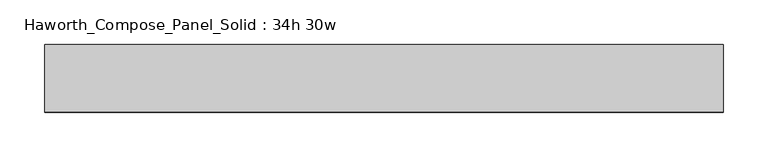
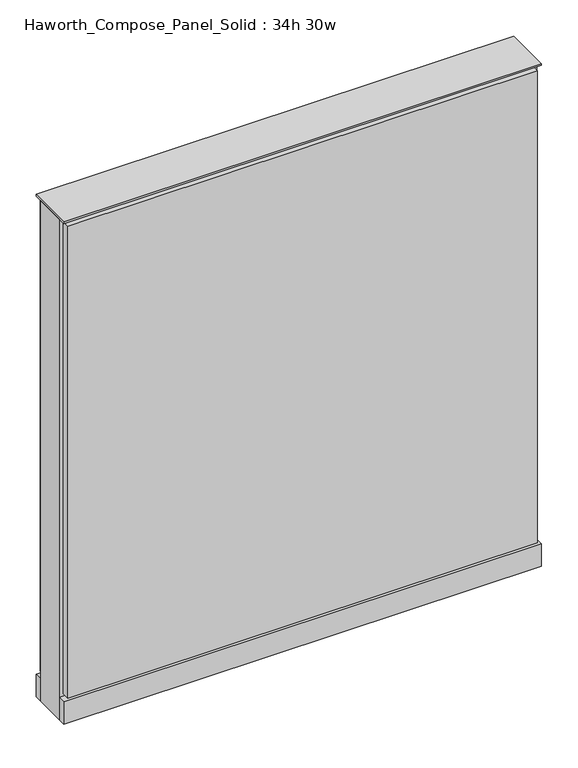
"""IFC4 building model written with IfcOpenShell, lengths in millimetres: furniture geometry, Haworth_Compose_Panel_Solid : 34h 30w."""

from ifc_helpers import new_model, si_unit, point, frame, frame_2d, origin, origin_with_axes, place, context, project, spatial, polyline, circle_curve, trimmed, segment, composite_curve, outline, extrude, source, transform, mapped, element, save


def haworth_compose_panel_solid_34h_30w_3e939ed2(model_context):
    return source(origin(), model_context, "Body", "SweptSolid", [
        extrude(outline(composite_curve([segment(trimmed(circle_curve(frame_2d((-302.3597098, 0.0)), 12.7), [point((-315.0597098, 0.0))], [point((-289.6597098, 0.0))], False, "CARTESIAN"), True, "CONTINUOUS"), segment(trimmed(circle_curve(frame_2d((-302.3597098, 0.0)), 12.7), [point((-289.6597098, 0.0))], [point((-315.0597098, 0.0))], False, "CARTESIAN"), True, "CONTINUOUS")], self_intersect=False)), origin_with_axes(), (0.0, 0.0, 1.0), 12.7),
        extrude(outline(composite_curve([segment(trimmed(circle_curve(frame_2d((307.2402902, 0.0)), 12.7), [point((294.5402902, 0.0))], [point((319.9402902, 0.0))], False, "CARTESIAN"), True, "CONTINUOUS"), segment(trimmed(circle_curve(frame_2d((307.2402902, 0.0)), 12.7), [point((319.9402902, 0.0))], [point((294.5402902, 0.0))], False, "CARTESIAN"), True, "CONTINUOUS")], self_intersect=False)), origin_with_axes(), (0.0, 0.0, 1.0), 12.7),
        extrude(outline(polyline([(377.0902902, 38.1), (377.0902902, 25.4), (-372.2097098, 25.4), (-372.2097098, 38.1), (377.0902902, 38.1)])), frame((0.0, 0.0, 53.975), z_axis=(0.0, 0.0, 1.0), x_axis=(1.0, 0.0, 0.0)), (0.0, 0.0, 1.0), 796.925),
        extrude(outline(polyline([(377.0902902, -38.1), (-372.2097098, -38.1), (-372.2097098, -25.4), (377.0902902, -25.4), (377.0902902, -38.1)])), frame((0.0, 0.0, 53.975), z_axis=(0.0, 0.0, 1.0), x_axis=(1.0, 0.0, 0.0)), (0.0, 0.0, 1.0), 796.925),
        extrude(outline(polyline([(383.4402902, 25.4), (383.4402902, -25.4), (-378.5597098, -25.4), (-378.5597098, 25.4), (383.4402902, 25.4)])), frame((0.0, 0.0, 12.7), z_axis=(0.0, 0.0, 1.0), x_axis=(1.0, 0.0, 0.0)), (0.0, 0.0, 1.0), 844.55),
        extrude(outline(polyline([(-378.5597098, -38.1), (-378.5597098, 38.1), (383.4402902, 38.1), (383.4402902, -38.1), (-378.5597098, -38.1)])), frame((0.0, 0.0, 12.7), z_axis=(0.0, 0.0, 1.0), x_axis=(1.0, 0.0, 0.0)), (0.0, 0.0, 1.0), 38.1),
        extrude(outline(polyline([(-378.5597098, -38.1), (-378.5597098, 38.1), (383.4402902, 38.1), (383.4402902, -38.1), (-378.5597098, -38.1)])), frame((0.0, 0.0, 857.25), z_axis=(0.0, 0.0, 1.0), x_axis=(1.0, 0.0, 0.0)), (0.0, 0.0, 1.0), 3.175),
    ])


if __name__ == "__main__":
    model = new_model("IFC4")
    model_context = context("Model", 3, world=origin())
    ifc_project = project(units=[si_unit("LENGTHUNIT", "METRE", prefix="MILLI")], contexts=[model_context])
    site = spatial("IfcSite", under=ifc_project)
    building = spatial("IfcBuilding", under=site)
    placement = place(None, origin())
    haworth_compose_panel_solid_34h_30w_shape = haworth_compose_panel_solid_34h_30w_3e939ed2(model_context)
    element("IfcFurniture", 1, ObjectType="Haworth_Compose_Panel_Solid : 34h 30w", at=placement, inside=building, context=model_context, shape_type="MappedRepresentation", body=[
        mapped(haworth_compose_panel_solid_34h_30w_shape, transform((0.0, 0.0, 0.0), x_axis=(1.0, 0.0, 0.0), y_axis=(0.0, 1.0, 0.0), z_axis=(0.0, 0.0, 1.0))),
    ])
    save(model, "model.ifc")
